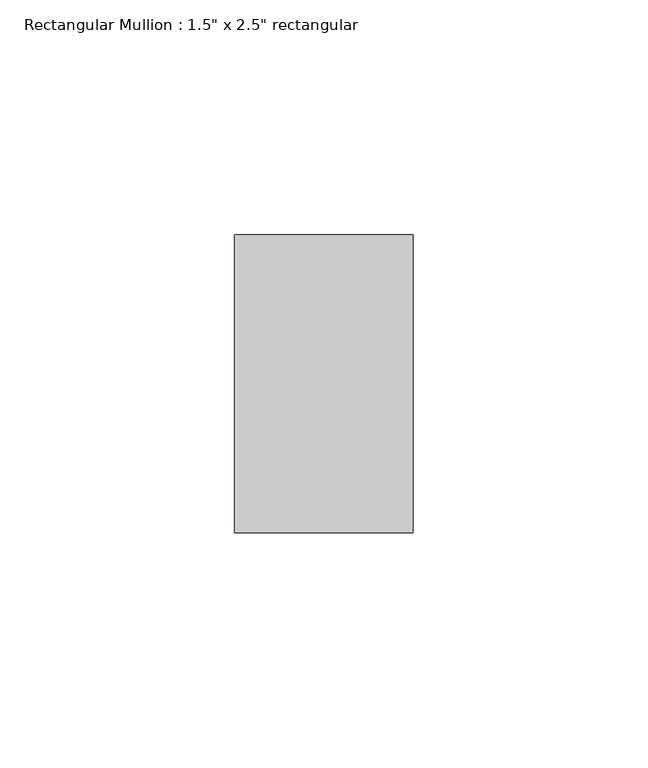
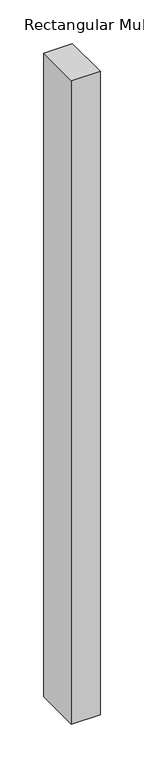
"""IFC4 building model written with IfcOpenShell, lengths in millimetres: member geometry."""

from ifc_helpers import new_model, si_unit, frame, origin, place, context, project, spatial, polyline, outline, extrude, source, transform, mapped, element, save


def member_402d02e1(model_context):
    return source(origin(), model_context, "Body", "SweptSolid", [
        extrude(outline(polyline([(0.0, 31.75), (0.0, -31.75), (-38.1, -31.75), (-38.1, 31.75), (0.0, 31.75)])), frame((0.0, 0.0, -901.7000003), z_axis=(0.0, 0.0, 1.0), x_axis=(1.0, 0.0, 0.0)), (0.0, 0.0, 1.0), 901.7000003),
    ])


if __name__ == "__main__":
    model = new_model("IFC4")
    model_context = context("Model", 3, world=origin())
    ifc_project = project(units=[si_unit("LENGTHUNIT", "METRE", prefix="MILLI")], contexts=[model_context])
    site = spatial("IfcSite", under=ifc_project)
    building = spatial("IfcBuilding", under=site)
    placement = place(None, origin())
    member_shape = member_402d02e1(model_context)
    element("IfcMember", 1, ObjectType="Rectangular Mullion : 1.5\" x 2.5\" rectangular", at=placement, inside=building, context=model_context, shape_type="MappedRepresentation", body=[
        mapped(member_shape, transform((0.0, 0.0, 0.0), x_axis=(1.0, 0.0, 0.0), y_axis=(0.0, 1.0, 0.0), z_axis=(0.0, 0.0, 1.0))),
    ])
    save(model, "model.ifc")
